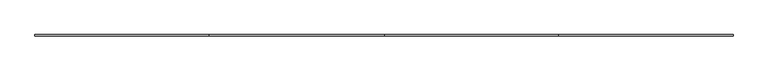
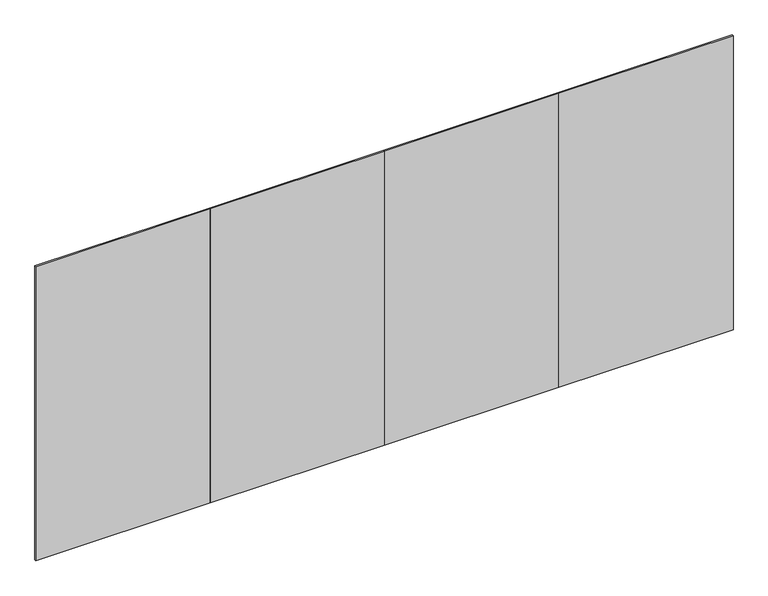
"""IFC4 building model written with IfcOpenShell, lengths in millimetres: furniture geometry."""

from ifc_helpers import new_model, si_unit, frame, origin, place, context, project, spatial, polyline, outline, extrude, source, transform, mapped, element, save


def furniture_71a451d3(model_context):
    return source(origin(), model_context, "Body", "SweptSolid", [
        extrude(outline(polyline([(4876.8, -4.7752), (3657.6, -4.7752), (3657.6, 4.7498), (4876.8, 4.7498), (4876.8, -4.7752)])), frame((0.0, 0.0, 12.7), z_axis=(0.0, 0.0, 1.0), x_axis=(1.0, 0.0, 0.0)), (0.0, 0.0, 1.0), 2173.6010468),
        extrude(outline(polyline([(2438.4, -4.7752), (1219.2, -4.7752), (1219.2, 4.7498), (2438.4, 4.7498), (2438.4, -4.7752)])), frame((0.0, 0.0, 12.7), z_axis=(0.0, 0.0, 1.0), x_axis=(1.0, 0.0, 0.0)), (0.0, 0.0, 1.0), 2173.6010468),
        extrude(outline(polyline([(3657.6, -4.7752), (2438.4, -4.7752), (2438.4, 4.7498), (3657.6, 4.7498), (3657.6, -4.7752)])), frame((0.0, 0.0, 12.7), z_axis=(0.0, 0.0, 1.0), x_axis=(1.0, 0.0, 0.0)), (0.0, 0.0, 1.0), 2173.6010468),
        extrude(outline(polyline([(1219.2, -4.7752), (0.0, -4.7752), (0.0, 4.7498), (1219.2, 4.7498), (1219.2, -4.7752)])), frame((0.0, 0.0, 12.7), z_axis=(0.0, 0.0, 1.0), x_axis=(1.0, 0.0, 0.0)), (0.0, 0.0, 1.0), 2173.6010468),
    ])


if __name__ == "__main__":
    model = new_model("IFC4")
    model_context = context("Model", 3, world=origin())
    ifc_project = project(units=[si_unit("LENGTHUNIT", "METRE", prefix="MILLI")], contexts=[model_context])
    site = spatial("IfcSite", under=ifc_project)
    building = spatial("IfcBuilding", under=site)
    placement = place(None, origin())
    furniture_shape = furniture_71a451d3(model_context)
    element("IfcFurniture", 1, at=placement, inside=building, context=model_context, shape_type="MappedRepresentation", body=[
        mapped(furniture_shape, transform((0.0, 0.0, 0.0), x_axis=(1.0, 0.0, 0.0), y_axis=(0.0, 1.0, 0.0), z_axis=(0.0, 0.0, 1.0))),
    ])
    save(model, "model.ifc")
